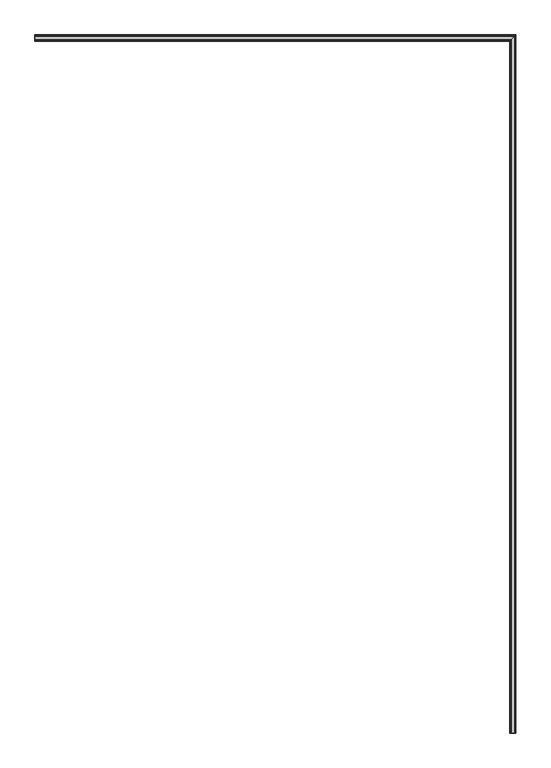
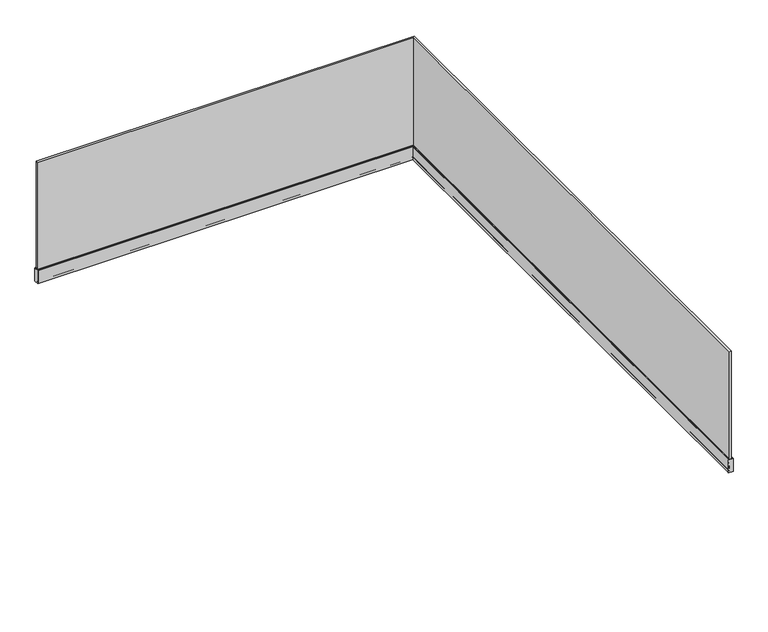
"""IFC4 building model written with IfcOpenShell, lengths in millimetres: railing geometry."""

from ifc_helpers import new_model, si_unit, frame, origin, place, context, project, spatial, polyline, circle_curve, ellipse_curve, outline, extrude, faceted_brep, source, transform, mapped, element, save
from ifc_brep_helpers import plane_surface, cylinder_surface, revolved_surface, advanced_brep


def railing_1bf899bf(model_context):
    return source(origin(), model_context, "Body", "SolidModel", [
        faceted_brep([(-10258.7924845, -67763.3362173, 1113.0), (-10276.3124845, -67763.3362173, 1113.0), (-10276.3124845, -67763.3362173, 13.0), (-10258.7924845, -67763.3362173, 13.0), (-10276.3124845, -62972.0962173, 1113.0), (-10276.3124845, -62972.0962173, 13.0), (-10258.7924845, -62954.5762173, 1113.0), (-13567.5524845, -62954.5762173, 1113.0), (-13567.5524845, -62954.5762173, 13.0), (-13567.5524845, -62972.0962173, 13.0), (-13567.5524845, -62972.0962173, 1113.0), (-10258.7924845, -62954.5762173, 13.0)], [[[0, 1, 2, 3]], [[4, 5, 2, 1]], [[6, 4, 1, 0]], [[7, 8, 9, 10]], [[10, 9, 5, 4]], [[7, 10, 4, 6]], [[9, 8, 11, 5]], [[8, 7, 6, 11]], [[5, 11, 3, 2]], [[11, 6, 0, 3]]]),
        advanced_brep(
        [(-10288.5524845, -67763.3362173, 120.0004585), (-10288.5524845, -67763.3362173, 0.0), (-10246.5524845, -67763.3362173, 0.0), (-10246.5524845, -67763.3362173, 120.0), (-10252.2524845, -67763.3362173, 120.0), (-10252.2524845, -67763.3362173, 100.0), (-10251.2524845, -67763.3362173, 99.4226497), (-10255.0524845, -67763.3362173, 76.5), (-10255.0524845, -67763.3362173, 11.0), (-10256.0524845, -67763.3362173, 10.0), (-10279.0524845, -67763.3362173, 10.0), (-10280.0524845, -67763.3362173, 11.0), (-10280.0524845, -67763.3362173, 30.0), (-10284.0905991, -67763.3362173, 120.0004585), (-13567.5524845, -62984.3362173, 120.0004585), (-13567.5524845, -62979.8743319, 120.0004585), (-13567.5524845, -62975.8362173, 30.0), (-13567.5524845, -62975.8362173, 11.0), (-13567.5524845, -62974.8362173, 10.0), (-13567.5524845, -62951.8362173, 10.0), (-13567.5524845, -62950.8362173, 11.0), (-13567.5524845, -62950.8362173, 76.5), (-13567.5524845, -62947.0362173, 99.4226497), (-13567.5524845, -62948.0362173, 100.0), (-13567.5524845, -62948.0362173, 120.0), (-13567.5524845, -62942.3362173, 120.0), (-13567.5524845, -62942.3362173, 0.0), (-13567.5524845, -62984.3362173, 0.0), (-10288.5524845, -62984.3362173, 120.0004585), (-10284.0905991, -62979.8743319, 120.0004585), (-10280.0524845, -62975.8362173, 30.0), (-10280.0524845, -62975.8362173, 11.0), (-10279.0524845, -62974.8362173, 10.0), (-10256.0524845, -62951.8362173, 10.0), (-10255.0524845, -62950.8362173, 11.0), (-10255.0524845, -62950.8362173, 76.5), (-10251.2524845, -62947.0362173, 99.4226497), (-10252.2524845, -62948.0362173, 100.0), (-10252.2524845, -62948.0362173, 120.0), (-10246.5524845, -62942.3362173, 120.0), (-10246.5524845, -62942.3362173, 0.0), (-10288.5524845, -62984.3362173, 0.0)],
        [
            (0, 1),
            (1, 2),
            (2, 3),
            (3, 4),
            (4, 5),
            (5, 6),
            (6, 7),
            (7, 8),
            (8, 9, circle_curve(frame((-10256.0524845, -67763.3362173, 11.0), z_axis=(0.0, 1.0, 0.0), x_axis=(1.0, 0.0, 0.0)), 1.0)),
            (9, 10),
            (10, 11, circle_curve(frame((-10279.0524845, -67763.3362173, 11.0), z_axis=(0.0, 1.0, 0.0), x_axis=(1.0, 0.0, 0.0)), 1.0)),
            (11, 12),
            (12, 13),
            (13, 0),
            (14, 15),
            (15, 16),
            (16, 17),
            (17, 18, circle_curve(frame((-13567.5524845, -62974.8362173, 11.0), z_axis=(1.0, 0.0, 0.0), x_axis=(0.0, 1.0, 0.0)), 1.0)),
            (18, 19),
            (19, 20, circle_curve(frame((-13567.5524845, -62951.8362173, 11.0), z_axis=(1.0, 0.0, 0.0), x_axis=(0.0, 1.0, 0.0)), 1.0)),
            (20, 21),
            (21, 22),
            (22, 23),
            (23, 24),
            (24, 25),
            (25, 26),
            (26, 27),
            (27, 14),
            (14, 28),
            (28, 29),
            (29, 15),
            (29, 30),
            (30, 16),
            (30, 31),
            (31, 17),
            (31, 32, ellipse_curve(frame((-10279.0524845, -62974.8362173, 11.0), z_axis=(0.7071067811865457, -0.7071067811865493, 0.0), x_axis=(0.7071067811865492, 0.7071067811865458, 0.0)), 1.4142136, 1.0)),
            (32, 18),
            (32, 33),
            (33, 19),
            (33, 34, ellipse_curve(frame((-10256.0524845, -62951.8362173, 11.0), z_axis=(0.7071067811865457, -0.7071067811865493, 0.0), x_axis=(0.7071067811865492, 0.7071067811865458, 0.0)), 1.4142136, 1.0)),
            (34, 20),
            (34, 35),
            (35, 21),
            (35, 36),
            (36, 22),
            (36, 37),
            (37, 23),
            (37, 38),
            (38, 24),
            (38, 39),
            (39, 25),
            (39, 40),
            (40, 26),
            (40, 41),
            (41, 27),
            (41, 28),
            (28, 0),
            (13, 29),
            (12, 30),
            (11, 31),
            (10, 32),
            (9, 33),
            (8, 34),
            (7, 35),
            (6, 36),
            (5, 37),
            (4, 38),
            (3, 39),
            (2, 40),
            (1, 41),
        ],
        [
            plane_surface(frame((-10267.5524845, -67763.3362173, 0.0), z_axis=(0.0, -1.0, 0.0), x_axis=(0.0, 0.0, -1.0))),
            plane_surface(frame((-13567.5524845, -62963.3362173, 0.0), z_axis=(-1.0, 0.0, 0.0), x_axis=(0.0, 1.0, 0.0))),
            plane_surface(frame((-13567.5524845, -62984.3362173, 120.0004585), z_axis=(0.0, 0.0, 1.0), x_axis=(1.0, 0.0, 0.0))),
            plane_surface(frame((-13567.5524845, -62979.8743319, 120.0004585), z_axis=(0.0, 0.9989949613987466, 0.04482261817338354), x_axis=(1.0, 0.0, 0.0))),
            plane_surface(frame((-13567.5524845, -62975.8362173, 30.0), z_axis=(0.0, 1.0, 0.0), x_axis=(1.0, 0.0, 0.0))),
            revolved_surface(polyline([(-10278.052484473394, -62973.8362173, 11.0), (-13567.5524845, -62973.8362173, 11.0)]), (-13567.5524845, -62974.8362173, 11.0), (1.0, 0.0, 0.0)),
            plane_surface(frame((-13567.5524845, -62974.8362173, 10.0), z_axis=(0.0, 0.0, 1.0), x_axis=(1.0, 0.0, 0.0))),
            revolved_surface(polyline([(-10255.052484473394, -62950.8362173, 11.0), (-13567.5524845, -62950.8362173, 11.0)]), (-13567.5524845, -62951.8362173, 11.0), (1.0, 0.0, 0.0)),
            plane_surface(frame((-13567.5524845, -62950.8362173, 11.0), z_axis=(0.0, -1.0, 0.0), x_axis=(1.0, 0.0, 0.0))),
            plane_surface(frame((-13567.5524845, -62950.8362173, 76.5), z_axis=(0.0, -0.9865362159973996, 0.16354294397965358), x_axis=(1.0, 0.0, 0.0))),
            plane_surface(frame((-13567.5524845, -62947.0362173, 99.4226497), z_axis=(0.0, -0.4999999999996219, -0.866025403784657), x_axis=(1.0, 0.0, 0.0))),
            plane_surface(frame((-13567.5524845, -62948.0362173, 100.0), z_axis=(0.0, -1.0, 0.0), x_axis=(1.0, 0.0, 0.0))),
            plane_surface(frame((-13567.5524845, -62948.0362173, 120.0), z_axis=(0.0, 0.0, 1.0), x_axis=(1.0, 0.0, 0.0))),
            plane_surface(frame((-13567.5524845, -62942.3362173, 120.0), z_axis=(0.0, 1.0, 0.0), x_axis=(1.0, 0.0, 0.0))),
            plane_surface(frame((-13567.5524845, -62942.3362173, 0.0), z_axis=(0.0, 0.0, -1.0), x_axis=(1.0, 0.0, 0.0))),
            plane_surface(frame((-13567.5524845, -62984.3362173, 0.0), z_axis=(0.0, -1.0, 0.0), x_axis=(1.0, 0.0, 0.0))),
            plane_surface(frame((-10288.5524845, -62984.3362173, 120.0004585), z_axis=(0.0, 0.0, 1.0), x_axis=(0.0, -1.0, 0.0))),
            plane_surface(frame((-10284.0905991, -62979.8743319, 120.0004585), z_axis=(0.9989949613987466, 0.0, 0.04482261817338354), x_axis=(0.0, -1.0, 0.0))),
            plane_surface(frame((-10280.0524845, -62975.8362173, 30.0), z_axis=(1.0, 0.0, 0.0), x_axis=(0.0, -1.0, 0.0))),
            revolved_surface(polyline([(-10278.0524845, -67763.3362173, 11.0), (-10278.0524845, -62973.83621727339, 11.0)]), (-10279.0524845, -62963.3362173, 11.0), (0.0, -1.0, 0.0)),
            plane_surface(frame((-10279.0524845, -62974.8362173, 10.0), z_axis=(0.0, 0.0, 1.0), x_axis=(0.0, -1.0, 0.0))),
            revolved_surface(polyline([(-10255.0524845, -67763.3362173, 11.0), (-10255.0524845, -62950.83621727339, 11.0)]), (-10256.0524845, -62963.3362173, 11.0), (0.0, -1.0, 0.0)),
            plane_surface(frame((-10255.0524845, -62950.8362173, 11.0), z_axis=(-1.0, 0.0, 0.0), x_axis=(0.0, -1.0, 0.0))),
            plane_surface(frame((-10255.0524845, -62950.8362173, 76.5), z_axis=(-0.9865362159973996, 0.0, 0.16354294397965358), x_axis=(0.0, -1.0, 0.0))),
            plane_surface(frame((-10251.2524845, -62947.0362173, 99.4226497), z_axis=(-0.4999999999996219, 0.0, -0.866025403784657), x_axis=(0.0, -1.0, 0.0))),
            plane_surface(frame((-10252.2524845, -62948.0362173, 100.0), z_axis=(-1.0, 0.0, 0.0), x_axis=(0.0, -1.0, 0.0))),
            plane_surface(frame((-10252.2524845, -62948.0362173, 120.0), z_axis=(0.0, 0.0, 1.0), x_axis=(0.0, -1.0, 0.0))),
            plane_surface(frame((-10246.5524845, -62942.3362173, 120.0), z_axis=(1.0, 0.0, 0.0), x_axis=(0.0, -1.0, 0.0))),
            plane_surface(frame((-10246.5524845, -62942.3362173, 0.0), z_axis=(0.0, 0.0, -1.0), x_axis=(0.0, -1.0, 0.0))),
            plane_surface(frame((-10288.5524845, -62984.3362173, 0.0), z_axis=(-1.0, 0.0, 0.0), x_axis=(0.0, -1.0, 0.0))),
        ],
        [
            (0, [[1, 2, 3, 4, 5, 6, 7, 8, 9, 10, 11, 12, 13, 14]]),
            (1, [[15, 16, 17, 18, 19, 20, 21, 22, 23, 24, 25, 26, 27, 28]]),
            (2, [[-15, 29, 30, 31]]),
            (3, [[-16, -31, 32, 33]]),
            (4, [[-17, -33, 34, 35]]),
            (5, [[-18, -35, 36, 37]]),
            (6, [[-19, -37, 38, 39]]),
            (7, [[-20, -39, 40, 41]]),
            (8, [[-21, -41, 42, 43]]),
            (9, [[-22, -43, 44, 45]]),
            (10, [[-23, -45, 46, 47]]),
            (11, [[-24, -47, 48, 49]]),
            (12, [[-25, -49, 50, 51]]),
            (13, [[-26, -51, 52, 53]]),
            (14, [[-27, -53, 54, 55]]),
            (15, [[-28, -55, 56, -29]]),
            (16, [[-30, 57, -14, 58]]),
            (17, [[-32, -58, -13, 59]]),
            (18, [[-34, -59, -12, 60]]),
            (19, [[-36, -60, -11, 61]]),
            (20, [[-38, -61, -10, 62]]),
            (21, [[-40, -62, -9, 63]]),
            (22, [[-42, -63, -8, 64]]),
            (23, [[-44, -64, -7, 65]]),
            (24, [[-46, -65, -6, 66]]),
            (25, [[-48, -66, -5, 67]]),
            (26, [[-50, -67, -4, 68]]),
            (27, [[-52, -68, -3, 69]]),
            (28, [[-54, -69, -2, 70]]),
            (29, [[-56, -70, -1, -57]]),
        ],
    ),
        faceted_brep([(-10280.1367966, -67763.3362173, 36.3411595), (-10278.1615116, -67763.3362173, 36.3411595), (-10278.1615116, -67763.3362173, 88.8444794), (-10282.4925004, -67763.3362173, 88.8444794), (-13567.5524845, -62975.9205294, 36.3411595), (-13567.5524845, -62978.2762332, 88.8444794), (-13567.5524845, -62973.9452444, 88.8444794), (-13567.5524845, -62973.9452444, 36.3411595), (-10280.1367966, -62975.9205294, 36.3411595), (-10282.4925004, -62978.2762332, 88.8444794), (-10278.1615116, -62973.9452444, 88.8444794), (-10278.1615116, -62973.9452444, 36.3411595)], [[[0, 1, 2, 3]], [[4, 5, 6, 7]], [[5, 4, 8, 9]], [[6, 5, 9, 10]], [[7, 6, 10, 11]], [[4, 7, 11, 8]], [[9, 8, 0, 3]], [[10, 9, 3, 2]], [[11, 10, 2, 1]], [[8, 11, 1, 0]]]),
        advanced_brep(
        [(-10283.5054952, -67763.3362173, 111.4218461), (-10282.1516946, -67763.3362173, 108.3554881), (-10279.0780692, -67763.3362173, 108.3554881), (-10278.1024845, -67763.3362173, 109.1358647), (-10278.1024845, -67763.3362173, 121.8767848), (-10278.697889, -67763.3362173, 122.3675984), (-10283.9507934, -67763.3362173, 121.3465372), (-13567.5524845, -62979.289228, 111.4218461), (-13567.5524845, -62979.7345262, 121.3465372), (-13567.5524845, -62974.4816218, 122.3675984), (-13567.5524845, -62973.8862173, 121.8767848), (-13567.5524845, -62973.8862173, 109.1358647), (-13567.5524845, -62974.861802, 108.3554881), (-13567.5524845, -62977.9354274, 108.3554881), (-10283.5054952, -62979.289228, 111.4218461), (-10283.9507934, -62979.7345262, 121.3465372), (-10278.697889, -62974.4816218, 122.3675984), (-10278.1024845, -62973.8862173, 121.8767848), (-10278.1024845, -62973.8862173, 109.1358647), (-10279.0780692, -62974.861802, 108.3554881), (-10282.1516946, -62977.9354274, 108.3554881)],
        [
            (0, 1, circle_curve(frame((-10267.9018545, -67763.3362173, 116.4788401), z_axis=(0.0, -1.0, 0.0), x_axis=(1.0, 0.0, 0.0)), 16.4026458)),
            (1, 2),
            (2, 3, circle_curve(frame((-10279.0780692, -67763.3362173, 109.3554881), z_axis=(0.0, -1.0, 0.0), x_axis=(1.0, 0.0, 0.0)), 1.0)),
            (3, 4),
            (4, 5, circle_curve(frame((-10278.6024845, -67763.3362173, 121.8767848), z_axis=(0.0, -1.0, 0.0), x_axis=(1.0, 0.0, 0.0)), 0.5)),
            (5, 6),
            (6, 0),
            (7, 8),
            (8, 9),
            (9, 10, circle_curve(frame((-13567.5524845, -62974.3862173, 121.8767848), z_axis=(-1.0, 0.0, 0.0), x_axis=(0.0, 1.0, 0.0)), 0.5)),
            (10, 11),
            (11, 12, circle_curve(frame((-13567.5524845, -62974.861802, 109.3554881), z_axis=(-1.0, 0.0, 0.0), x_axis=(0.0, 1.0, 0.0)), 1.0)),
            (12, 13),
            (13, 7, circle_curve(frame((-13567.5524845, -62963.6855874, 116.4788401), z_axis=(-1.0, 0.0, 0.0), x_axis=(0.0, 1.0, 0.0)), 16.4026458)),
            (7, 14),
            (14, 15),
            (15, 8),
            (15, 16),
            (16, 9),
            (16, 17, ellipse_curve(frame((-10278.6024845, -62974.3862173, 121.8767848), z_axis=(-0.7071067811865457, 0.7071067811865493, 0.0), x_axis=(-0.7071067811865492, -0.7071067811865458, 0.0)), 0.7071068, 0.5)),
            (17, 10),
            (17, 18),
            (18, 11),
            (18, 19, ellipse_curve(frame((-10279.0780692, -62974.861802, 109.3554881), z_axis=(-0.7071067811865457, 0.7071067811865493, 0.0), x_axis=(-0.7071067811865492, -0.7071067811865458, 0.0)), 1.4142136, 1.0)),
            (19, 12),
            (19, 20),
            (20, 13),
            (20, 14, ellipse_curve(frame((-10267.9018545, -62963.6855874, 116.4788401), z_axis=(-0.7071067811865457, 0.7071067811865493, 0.0), x_axis=(-0.7071067811865492, -0.7071067811865458, 0.0)), 23.1968442, 16.4026458)),
            (14, 0),
            (6, 15),
            (5, 16),
            (4, 17),
            (3, 18),
            (2, 19),
            (1, 20),
        ],
        [
            plane_surface(frame((-10267.5524845, -67763.3362173, 0.0), z_axis=(0.0, -1.0, 0.0), x_axis=(0.0, 0.0, -1.0))),
            plane_surface(frame((-13567.5524845, -62963.3362173, 0.0), z_axis=(-1.0, 0.0, 0.0), x_axis=(0.0, 1.0, 0.0))),
            plane_surface(frame((-13567.5524845, -62979.289228, 111.4218461), z_axis=(0.0, -0.9989949613987466, -0.04482261817338369), x_axis=(1.0, 0.0, 0.0))),
            plane_surface(frame((-13567.5524845, -62979.7345262, 121.3465372), z_axis=(0.0, -0.19080899537654455, 0.9816271834476641), x_axis=(1.0, 0.0, 0.0))),
            cylinder_surface(frame((-13567.5524845, -62974.3862173, 121.8767848), z_axis=(-1.0, 0.0, 0.0), x_axis=(0.0, 1.0, 0.0)), 0.5),
            plane_surface(frame((-13567.5524845, -62973.8862173, 121.8767848), z_axis=(0.0, 1.0, 0.0), x_axis=(1.0, 0.0, 0.0))),
            cylinder_surface(frame((-13567.5524845, -62974.861802, 109.3554881), z_axis=(-1.0, 0.0, 0.0), x_axis=(0.0, 1.0, 0.0)), 1.0),
            plane_surface(frame((-13567.5524845, -62974.861802, 108.3554881), z_axis=(0.0, 0.0, -1.0), x_axis=(1.0, 0.0, 0.0))),
            cylinder_surface(frame((-13567.5524845, -62963.6855874, 116.4788401), z_axis=(-1.0, 0.0, 0.0), x_axis=(0.0, 1.0, 0.0)), 16.4026458),
            plane_surface(frame((-10283.5054952, -62979.289228, 111.4218461), z_axis=(-0.9989949613987466, 0.0, -0.04482261817338369), x_axis=(0.0, -1.0, 0.0))),
            plane_surface(frame((-10283.9507934, -62979.7345262, 121.3465372), z_axis=(-0.19080899537654455, 0.0, 0.9816271834476641), x_axis=(0.0, -1.0, 0.0))),
            cylinder_surface(frame((-10278.6024845, -62963.3362173, 121.8767848), z_axis=(0.0, 1.0, 0.0), x_axis=(1.0, 0.0, 0.0)), 0.5),
            plane_surface(frame((-10278.1024845, -62973.8862173, 121.8767848), z_axis=(1.0, 0.0, 0.0), x_axis=(0.0, -1.0, 0.0))),
            cylinder_surface(frame((-10279.0780692, -62963.3362173, 109.3554881), z_axis=(0.0, 1.0, 0.0), x_axis=(1.0, 0.0, 0.0)), 1.0),
            plane_surface(frame((-10279.0780692, -62974.861802, 108.3554881), z_axis=(0.0, 0.0, -1.0), x_axis=(0.0, -1.0, 0.0))),
            cylinder_surface(frame((-10267.9018545, -62963.3362173, 116.4788401), z_axis=(0.0, 1.0, 0.0), x_axis=(1.0, 0.0, 0.0)), 16.4026458),
        ],
        [
            (0, [[1, 2, 3, 4, 5, 6, 7]]),
            (1, [[8, 9, 10, 11, 12, 13, 14]]),
            (2, [[-8, 15, 16, 17]]),
            (3, [[-9, -17, 18, 19]]),
            (4, [[-10, -19, 20, 21]]),
            (5, [[-11, -21, 22, 23]]),
            (6, [[-12, -23, 24, 25]]),
            (7, [[-13, -25, 26, 27]]),
            (8, [[-14, -27, 28, -15]]),
            (9, [[-16, 29, -7, 30]]),
            (10, [[-18, -30, -6, 31]]),
            (11, [[-20, -31, -5, 32]]),
            (12, [[-22, -32, -4, 33]]),
            (13, [[-24, -33, -3, 34]]),
            (14, [[-26, -34, -2, 35]]),
            (15, [[-28, -35, -1, -29]]),
        ],
    ),
        advanced_brep(
        [(-10256.2524845, -67763.3362173, 10.2), (-10255.2524845, -67763.3362173, 11.2), (-10255.2524845, -67763.3362173, 76.5164651), (-10251.4724455, -67763.3362173, 99.3187042), (-10252.4524845, -67763.3362173, 99.8845299), (-10252.4524845, -67763.3362173, 120.914931), (-10256.1283203, -67763.3362173, 123.0824789), (-10257.0024845, -67763.3362173, 122.7508146), (-10257.0024845, -67763.3362173, 12.0), (-10277.8654461, -67763.3362173, 12.0), (-10278.1509663, -67763.3362173, 10.2), (-13567.5524845, -62952.0362173, 10.2), (-13567.5524845, -62973.9346992, 10.2), (-13567.5524845, -62973.649179, 12.0), (-13567.5524845, -62952.7862173, 12.0), (-13567.5524845, -62952.7862173, 122.7508146), (-13567.5524845, -62951.9120532, 123.0824789), (-13567.5524845, -62948.2362173, 120.914931), (-13567.5524845, -62948.2362173, 99.8845299), (-13567.5524845, -62947.2561784, 99.3187042), (-13567.5524845, -62951.0362173, 76.5164651), (-13567.5524845, -62951.0362173, 11.2), (-10256.2524845, -62952.0362173, 10.2), (-10278.1509663, -62973.9346992, 10.2), (-10277.8654461, -62973.649179, 12.0), (-10257.0024845, -62952.7862173, 12.0), (-10257.0024845, -62952.7862173, 122.7508146), (-10256.1283203, -62951.9120532, 123.0824789), (-10252.4524845, -62948.2362173, 120.914931), (-10252.4524845, -62948.2362173, 99.8845299), (-10251.4724455, -62947.2561784, 99.3187042), (-10255.2524845, -62951.0362173, 76.5164651), (-10255.2524845, -62951.0362173, 11.2)],
        [
            (0, 1, circle_curve(frame((-10256.2524845, -67763.3362173, 11.2), z_axis=(0.0, -1.0, 0.0), x_axis=(1.0, 0.0, 0.0)), 1.0)),
            (1, 2),
            (2, 3),
            (3, 4),
            (4, 5),
            (5, 6, circle_curve(frame((-10250.9387724, -67763.3362173, 127.6825664), z_axis=(0.0, 1.0, 0.0), x_axis=(1.0, 0.0, 0.0)), 6.9348549)),
            (6, 7, circle_curve(frame((-10256.5024845, -67763.3362173, 122.7508146), z_axis=(0.0, -1.0, 0.0), x_axis=(1.0, 0.0, 0.0)), 0.5)),
            (7, 8),
            (8, 9),
            (9, 10, circle_curve(frame((-10277.4940214, -67763.3362173, 11.0184388), z_axis=(0.0, -1.0, 0.0), x_axis=(1.0, 0.0, 0.0)), 1.049485)),
            (10, 0),
            (11, 12),
            (12, 13, circle_curve(frame((-13567.5524845, -62973.2777543, 11.0184388), z_axis=(-1.0, 0.0, 0.0), x_axis=(0.0, 1.0, 0.0)), 1.049485)),
            (13, 14),
            (14, 15),
            (15, 16, circle_curve(frame((-13567.5524845, -62952.2862173, 122.7508146), z_axis=(-1.0, 0.0, 0.0), x_axis=(0.0, 1.0, 0.0)), 0.5)),
            (16, 17, circle_curve(frame((-13567.5524845, -62946.7225052, 127.6825664), z_axis=(1.0, 0.0, 0.0), x_axis=(0.0, 1.0, 0.0)), 6.9348549)),
            (17, 18),
            (18, 19),
            (19, 20),
            (20, 21),
            (21, 11, circle_curve(frame((-13567.5524845, -62952.0362173, 11.2), z_axis=(-1.0, 0.0, 0.0), x_axis=(0.0, 1.0, 0.0)), 1.0)),
            (11, 22),
            (22, 23),
            (23, 12),
            (23, 24, ellipse_curve(frame((-10277.4940214, -62973.2777543, 11.0184388), z_axis=(-0.7071067811865457, 0.7071067811865493, 0.0), x_axis=(-0.7071067811865492, -0.7071067811865458, 0.0)), 1.4841959, 1.049485)),
            (24, 13),
            (24, 25),
            (25, 14),
            (25, 26),
            (26, 15),
            (26, 27, ellipse_curve(frame((-10256.5024845, -62952.2862173, 122.7508146), z_axis=(-0.7071067811865457, 0.7071067811865493, 0.0), x_axis=(-0.7071067811865492, -0.7071067811865458, 0.0)), 0.7071068, 0.5)),
            (27, 16),
            (27, 28, ellipse_curve(frame((-10250.9387724, -62946.7225052, 127.6825664), z_axis=(0.7071067811865457, -0.7071067811865493, 0.0), x_axis=(0.7071067811865492, 0.7071067811865458, 0.0)), 9.8073659, 6.9348549)),
            (28, 17),
            (28, 29),
            (29, 18),
            (29, 30),
            (30, 19),
            (30, 31),
            (31, 20),
            (31, 32),
            (32, 21),
            (32, 22, ellipse_curve(frame((-10256.2524845, -62952.0362173, 11.2), z_axis=(-0.7071067811865457, 0.7071067811865493, 0.0), x_axis=(-0.7071067811865492, -0.7071067811865458, 0.0)), 1.4142136, 1.0)),
            (22, 0),
            (10, 23),
            (9, 24),
            (8, 25),
            (7, 26),
            (6, 27),
            (5, 28),
            (4, 29),
            (3, 30),
            (2, 31),
            (1, 32),
        ],
        [
            plane_surface(frame((-10267.5524845, -67763.3362173, 0.0), z_axis=(0.0, -1.0, 0.0), x_axis=(0.0, 0.0, -1.0))),
            plane_surface(frame((-13567.5524845, -62963.3362173, 0.0), z_axis=(-1.0, 0.0, 0.0), x_axis=(0.0, 1.0, 0.0))),
            plane_surface(frame((-13567.5524845, -62952.0362173, 10.2), z_axis=(0.0, 0.0, -1.0), x_axis=(1.0, 0.0, 0.0))),
            cylinder_surface(frame((-13567.5524845, -62973.2777543, 11.0184388), z_axis=(-1.0, 0.0, 0.0), x_axis=(0.0, 1.0, 0.0)), 1.049485),
            plane_surface(frame((-13567.5524845, -62973.649179, 12.0), z_axis=(0.0, 0.0, 1.0), x_axis=(1.0, 0.0, 0.0))),
            plane_surface(frame((-13567.5524845, -62952.7862173, 12.0), z_axis=(0.0, -1.0, 0.0), x_axis=(1.0, 0.0, 0.0))),
            cylinder_surface(frame((-13567.5524845, -62952.2862173, 122.7508146), z_axis=(-1.0, 0.0, 0.0), x_axis=(0.0, 1.0, 0.0)), 0.5),
            revolved_surface(polyline([(-10244.003917466533, -62939.7876503, 127.6825664), (-13567.5524845, -62939.7876503, 127.6825664)]), (-13567.5524845, -62946.7225052, 127.6825664), (1.0, 0.0, 0.0)),
            plane_surface(frame((-13567.5524845, -62948.2362173, 120.914931), z_axis=(0.0, 1.0, 0.0), x_axis=(1.0, 0.0, 0.0))),
            plane_surface(frame((-13567.5524845, -62948.2362173, 99.8845299), z_axis=(0.0, 0.4999999999996261, 0.8660254037846546), x_axis=(1.0, 0.0, 0.0))),
            plane_surface(frame((-13567.5524845, -62947.2561784, 99.3187042), z_axis=(0.0, 0.9865362159973996, -0.16354294397965363), x_axis=(1.0, 0.0, 0.0))),
            plane_surface(frame((-13567.5524845, -62951.0362173, 76.5164651), z_axis=(0.0, 1.0, 0.0), x_axis=(1.0, 0.0, 0.0))),
            cylinder_surface(frame((-13567.5524845, -62952.0362173, 11.2), z_axis=(-1.0, 0.0, 0.0), x_axis=(0.0, 1.0, 0.0)), 1.0),
            plane_surface(frame((-10256.2524845, -62952.0362173, 10.2), z_axis=(0.0, 0.0, -1.0), x_axis=(0.0, -1.0, 0.0))),
            cylinder_surface(frame((-10277.4940214, -62963.3362173, 11.0184388), z_axis=(0.0, 1.0, 0.0), x_axis=(1.0, 0.0, 0.0)), 1.049485),
            plane_surface(frame((-10277.8654461, -62973.649179, 12.0), z_axis=(0.0, 0.0, 1.0), x_axis=(0.0, -1.0, 0.0))),
            plane_surface(frame((-10257.0024845, -62952.7862173, 12.0), z_axis=(-1.0, 0.0, 0.0), x_axis=(0.0, -1.0, 0.0))),
            cylinder_surface(frame((-10256.5024845, -62963.3362173, 122.7508146), z_axis=(0.0, 1.0, 0.0), x_axis=(1.0, 0.0, 0.0)), 0.5),
            revolved_surface(polyline([(-10244.0039175, -67763.3362173, 127.6825664), (-10244.0039175, -62939.78765026653, 127.6825664)]), (-10250.9387724, -62963.3362173, 127.6825664), (0.0, -1.0, 0.0)),
            plane_surface(frame((-10252.4524845, -62948.2362173, 120.914931), z_axis=(1.0, 0.0, 0.0), x_axis=(0.0, -1.0, 0.0))),
            plane_surface(frame((-10252.4524845, -62948.2362173, 99.8845299), z_axis=(0.4999999999996261, 0.0, 0.8660254037846546), x_axis=(0.0, -1.0, 0.0))),
            plane_surface(frame((-10251.4724455, -62947.2561784, 99.3187042), z_axis=(0.9865362159973996, 0.0, -0.16354294397965363), x_axis=(0.0, -1.0, 0.0))),
            plane_surface(frame((-10255.2524845, -62951.0362173, 76.5164651), z_axis=(1.0, 0.0, 0.0), x_axis=(0.0, -1.0, 0.0))),
            cylinder_surface(frame((-10256.2524845, -62963.3362173, 11.2), z_axis=(0.0, 1.0, 0.0), x_axis=(1.0, 0.0, 0.0)), 1.0),
        ],
        [
            (0, [[1, 2, 3, 4, 5, 6, 7, 8, 9, 10, 11]]),
            (1, [[12, 13, 14, 15, 16, 17, 18, 19, 20, 21, 22]]),
            (2, [[-12, 23, 24, 25]]),
            (3, [[-13, -25, 26, 27]]),
            (4, [[-14, -27, 28, 29]]),
            (5, [[-15, -29, 30, 31]]),
            (6, [[-16, -31, 32, 33]]),
            (7, [[-17, -33, 34, 35]]),
            (8, [[-18, -35, 36, 37]]),
            (9, [[-19, -37, 38, 39]]),
            (10, [[-20, -39, 40, 41]]),
            (11, [[-21, -41, 42, 43]]),
            (12, [[-22, -43, 44, -23]]),
            (13, [[-24, 45, -11, 46]]),
            (14, [[-26, -46, -10, 47]]),
            (15, [[-28, -47, -9, 48]]),
            (16, [[-30, -48, -8, 49]]),
            (17, [[-32, -49, -7, 50]]),
            (18, [[-34, -50, -6, 51]]),
            (19, [[-36, -51, -5, 52]]),
            (20, [[-38, -52, -4, 53]]),
            (21, [[-40, -53, -3, 54]]),
            (22, [[-42, -54, -2, 55]]),
            (23, [[-44, -55, -1, -45]]),
        ],
    ),
        extrude(outline(polyline([(-10246.5524845, -67766.3362173), (-10288.5524845, -67766.3362173), (-10288.5524845, -67763.3362173), (-10246.5524845, -67763.3362173), (-10246.5524845, -67766.3362173)])), frame((0.0, 0.0, -1.0), z_axis=(0.0, 0.0, 1.0), x_axis=(1.0, 0.0, 0.0)), (0.0, 0.0, 1.0), 120.0),
        extrude(outline(polyline([(-13567.5524845, -62942.3362173), (-13567.5524845, -62984.3362173), (-13570.5524845, -62984.3362173), (-13570.5524845, -62942.3362173), (-13567.5524845, -62942.3362173)])), frame((0.0, 0.0, -1.0), z_axis=(0.0, 0.0, 1.0), x_axis=(1.0, 0.0, 0.0)), (0.0, 0.0, 1.0), 120.0),
    ])


if __name__ == "__main__":
    model = new_model("IFC4")
    model_context = context("Model", 3, world=origin())
    ifc_project = project(units=[si_unit("LENGTHUNIT", "METRE", prefix="MILLI")], contexts=[model_context])
    site = spatial("IfcSite", under=ifc_project)
    building = spatial("IfcBuilding", under=site)
    placement = place(None, origin())
    railing_shape = railing_1bf899bf(model_context)
    element("IfcRailing", 1, at=placement, inside=building, context=model_context, shape_type="MappedRepresentation", body=[
        mapped(railing_shape, transform((0.0, 0.0, 0.0), x_axis=(1.0, 0.0, 0.0), y_axis=(0.0, 1.0, 0.0), z_axis=(0.0, 0.0, 1.0))),
    ])
    save(model, "model.ifc")
